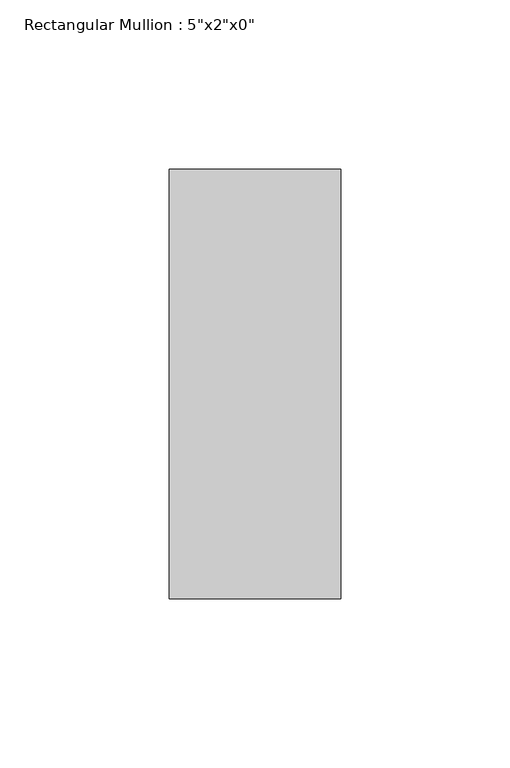
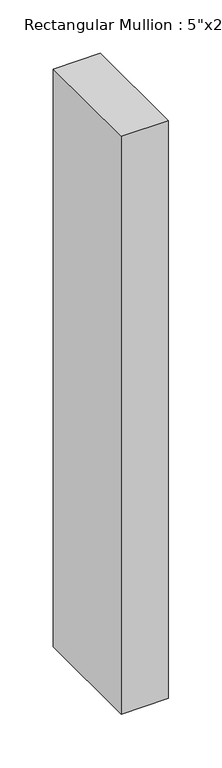
"""IFC4 building model written with IfcOpenShell, lengths in millimetres: member geometry."""

from ifc_helpers import new_model, si_unit, frame, origin, place, context, project, spatial, polyline, outline, extrude, source, transform, mapped, element, save


def member_e9e4326d(model_context):
    return source(origin(), model_context, "Body", "SweptSolid", [
        extrude(outline(polyline([(0.0, 63.5), (0.0, -63.5), (-50.8, -63.5), (-50.8, 63.5), (0.0, 63.5)])), frame((0.0, 0.0, -660.4), z_axis=(0.0, 0.0, 1.0), x_axis=(1.0, 0.0, 0.0)), (0.0, 0.0, 1.0), 660.4),
    ])


if __name__ == "__main__":
    model = new_model("IFC4")
    model_context = context("Model", 3, world=origin())
    ifc_project = project(units=[si_unit("LENGTHUNIT", "METRE", prefix="MILLI")], contexts=[model_context])
    site = spatial("IfcSite", under=ifc_project)
    building = spatial("IfcBuilding", under=site)
    placement = place(None, origin())
    member_shape = member_e9e4326d(model_context)
    element("IfcMember", 1, ObjectType="Rectangular Mullion : 5\"x2\"x0\"", at=placement, inside=building, context=model_context, shape_type="MappedRepresentation", body=[
        mapped(member_shape, transform((0.0, 0.0, 0.0), x_axis=(1.0, 0.0, 0.0), y_axis=(0.0, 1.0, 0.0), z_axis=(0.0, 0.0, 1.0))),
    ])
    save(model, "model.ifc")
